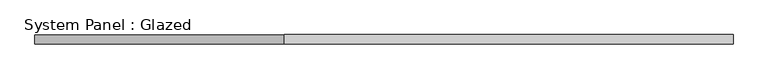
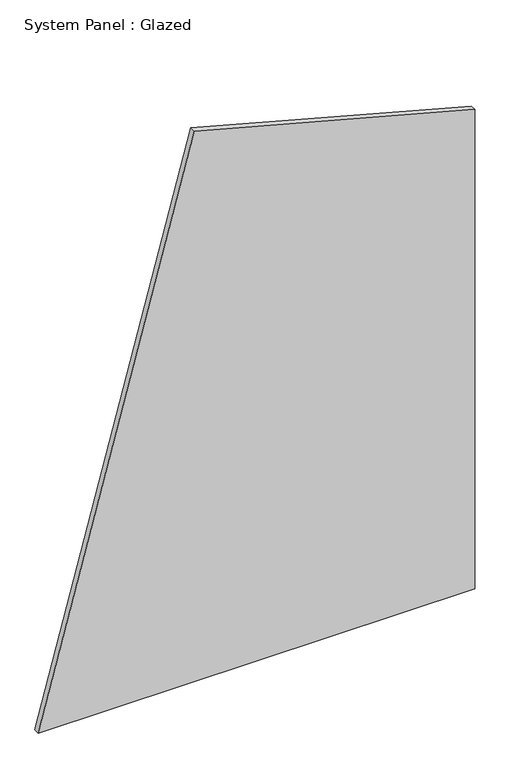
"""IFC4 building model written with IfcOpenShell, lengths in millimetres: plate geometry, System Panel : Glazed."""

from ifc_helpers import new_model, si_unit, frame, origin, place, context, project, spatial, polyline, outline, extrude, source, transform, mapped, element, save


def system_panel_glazed_7ddfc5e4(model_context):
    return source(origin(), model_context, "Body", "SweptSolid", [
        extrude(outline(polyline([(0.0, -931.2118768), (0.0, 931.2118768), (2162.2118968, 931.2118768), (2482.9771023, -265.9001674), (0.0, -931.2118768)])), frame((0.0, -22.5, 0.0), z_axis=(0.0, 1.0, 0.0), x_axis=(0.0, 0.0, 1.0)), (0.0, 0.0, 1.0), 25.0),
    ])


if __name__ == "__main__":
    model = new_model("IFC4")
    model_context = context("Model", 3, world=origin())
    ifc_project = project(units=[si_unit("LENGTHUNIT", "METRE", prefix="MILLI")], contexts=[model_context])
    site = spatial("IfcSite", under=ifc_project)
    building = spatial("IfcBuilding", under=site)
    placement = place(None, origin())
    system_panel_glazed_shape = system_panel_glazed_7ddfc5e4(model_context)
    element("IfcPlate", 1, ObjectType="System Panel : Glazed", at=placement, inside=building, context=model_context, shape_type="MappedRepresentation", body=[
        mapped(system_panel_glazed_shape, transform((0.0, 0.0, 0.0), x_axis=(1.0, 0.0, 0.0), y_axis=(0.0, 1.0, 0.0), z_axis=(0.0, 0.0, 1.0))),
    ])
    save(model, "model.ifc")
